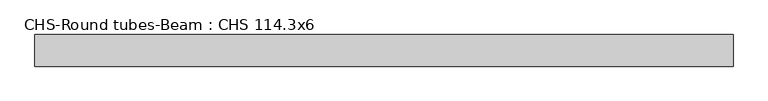
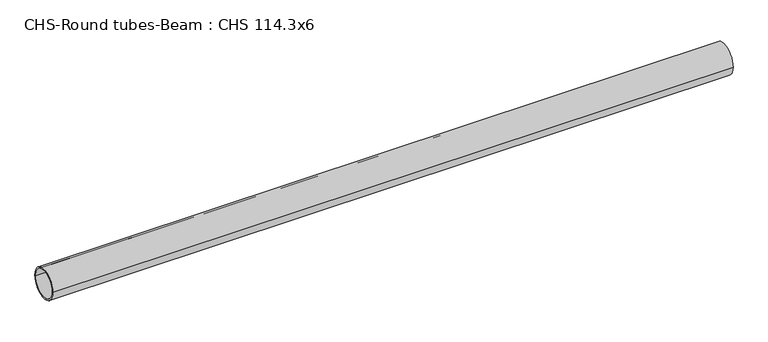
"""IFC4 building model written with IfcOpenShell, lengths in millimetres: beam geometry, CHS-Round tubes-Beam : CHS 114.3x6."""

import ifcopenshell
import ifcopenshell.guid

model = None  # the IFC model being written
_history = None  # IfcOwnerHistory: only IFC2X3 demands one
_inside = {}  # id of a spatial element -> (the spatial element, [elements in it])
_under = {}  # id of a project, library or spatial element -> (it, [spatial elements below it])
_declared = {}  # id of a project -> (the project, [libraries it declares])
_typed = {}  # id of a type object -> (the type object, [elements of that type])
_made_of = {}  # id of a material, layer set ... -> (it, [elements and type objects made of it])


def new_model(schema):
    """Start an empty IFC model of exactly this schema.

    Asked for "IFC4X3", IfcOpenShell would pick the latest addendum, in which some entities
    have other attributes; the version numbers below select the first issue.
    IFC2X3 requires an IfcOwnerHistory on every rooted entity: one is made here for all.
    """
    global model, _history
    if schema == "IFC4X3":
        model = ifcopenshell.file(schema_version=(4, 3, 0, 0))
    else:
        model = ifcopenshell.file(schema=schema)
    _inside.clear()
    _under.clear()
    _declared.clear()
    _typed.clear()
    _made_of.clear()
    _history = None
    if model.schema == "IFC2X3":
        org = make("IfcOrganization", Name="unknown")
        user = make(
            "IfcPersonAndOrganization",
            ThePerson=make("IfcPerson", FamilyName="unknown"),
            TheOrganization=org,
        )
        app = make(
            "IfcApplication",
            ApplicationDeveloper=org,
            Version="unknown",
            ApplicationFullName="unknown",
            ApplicationIdentifier="unknown",
        )
        _history = make(
            "IfcOwnerHistory",
            OwningUser=user,
            OwningApplication=app,
            ChangeAction="ADDED",
            CreationDate=0,
        )
    return model


def make(cls, **values):
    """One entity of the class cls with the attributes given. An attribute that is None is left unset."""
    return model.create_entity(
        cls, **{name: value for name, value in values.items() if value is not None}
    )


def rooted(cls, **values):
    """An entity with a GlobalId (a new one), such as an element, a storey or a relation."""
    return make(cls, GlobalId=ifcopenshell.guid.new(), OwnerHistory=_history, **values)


def si_unit(unit_type, name, prefix=None):
    """IfcSIUnit, for example si_unit("LENGTHUNIT", "METRE", prefix="MILLI")."""
    return make("IfcSIUnit", UnitType=unit_type, Prefix=prefix, Name=name)


def assignment(units):
    """IfcUnitAssignment: the units of a project."""
    return None if units is None else make("IfcUnitAssignment", Units=units)


def point(xyz):
    """IfcCartesianPoint."""
    return None if xyz is None else make("IfcCartesianPoint", Coordinates=xyz)


def direction(xyz):
    """IfcDirection."""
    return None if xyz is None else make("IfcDirection", DirectionRatios=xyz)


def frame(location, z_axis=None, x_axis=None):
    """IfcAxis2Placement3D, a coordinate frame: its origin and axes. An axis left out is left unset."""
    return make(
        "IfcAxis2Placement3D",
        Location=point(location),
        Axis=direction(z_axis),
        RefDirection=direction(x_axis),
    )


def frame_2d(location, x_axis=None):
    """IfcAxis2Placement2D, a coordinate frame in the plane: its origin and x axis."""
    return make(
        "IfcAxis2Placement2D", Location=point(location), RefDirection=direction(x_axis)
    )


def origin():
    """The frame at (0, 0, 0) with its axes left unset."""
    return frame((0.0, 0.0, 0.0))


def origin_2d():
    """The frame at (0, 0) in the plane with its x axis left unset."""
    return frame_2d((0.0, 0.0))


def place(relative_to, where):
    """IfcLocalPlacement: puts the frame where relative to a parent placement (None: the world)."""
    return make(
        "IfcLocalPlacement", PlacementRelTo=relative_to, RelativePlacement=where
    )


def context(
    kind, dimensions, precision=None, world=None, true_north=None, identifier=None
):
    """IfcGeometricRepresentationContext, for example the 3D "Model" context."""
    return make(
        "IfcGeometricRepresentationContext",
        ContextIdentifier=identifier,
        ContextType=kind,
        CoordinateSpaceDimension=dimensions,
        Precision=precision,
        WorldCoordinateSystem=world,
        TrueNorth=true_north,
    )


def project(units=None, contexts=None):
    """IfcProject with its units and contexts."""
    return rooted(
        "IfcProject",
        Name="project",
        RepresentationContexts=contexts,
        UnitsInContext=assignment(units),
    )


def spatial(cls, under=None, at=None, **own):
    """A site, building, storey or space (cls), placed at a placement, below another one or the project."""
    s = rooted(cls, ObjectPlacement=at, **own)
    if under is not None:
        _under.setdefault(under.id(), (under, []))[1].append(s)
    return s


def circle_curve(where, radius):
    """IfcCircle in the frame where."""
    return make("IfcCircle", Position=where, Radius=radius)


def trimmed(basis, trim1, trim2, sense, master):
    """IfcTrimmedCurve: the piece of a basis curve between two trims."""
    return make(
        "IfcTrimmedCurve",
        BasisCurve=basis,
        Trim1=trim1,
        Trim2=trim2,
        SenseAgreement=sense,
        MasterRepresentation=master,
    )


def segment(curve, same_sense, transition):
    """IfcCompositeCurveSegment."""
    return make(
        "IfcCompositeCurveSegment",
        Transition=transition,
        SameSense=same_sense,
        ParentCurve=curve,
    )


def composite_curve(segments, self_intersect=None):
    """IfcCompositeCurve: segments joined end to end."""
    return make("IfcCompositeCurve", Segments=segments, SelfIntersect=self_intersect)


def outline(outer, holes=None, kind="AREA"):
    """IfcArbitraryClosedProfileDef: a profile drawn as a closed curve; with holes, ...WithVoids."""
    if holes is None:
        return make("IfcArbitraryClosedProfileDef", ProfileType=kind, OuterCurve=outer)
    return make(
        "IfcArbitraryProfileDefWithVoids",
        ProfileType=kind,
        OuterCurve=outer,
        InnerCurves=holes,
    )


def extrude(swept, where, along, depth):
    """IfcExtrudedAreaSolid: the profile swept, set in the frame where, extruded along a direction by depth."""
    return make(
        "IfcExtrudedAreaSolid",
        SweptArea=swept,
        Position=where,
        ExtrudedDirection=direction(along),
        Depth=depth,
    )


def shape(context_of_items, identifier, shape_type, items):
    """IfcShapeRepresentation: the items that make up one representation, for example the "Body"."""
    return make(
        "IfcShapeRepresentation",
        ContextOfItems=context_of_items,
        RepresentationIdentifier=identifier,
        RepresentationType=shape_type,
        Items=items,
    )


def source(mapping_origin, context_of_items, identifier, shape_type, items):
    """IfcRepresentationMap: a shape defined once, which mapped items show again and again."""
    return make(
        "IfcRepresentationMap",
        MappingOrigin=mapping_origin,
        MappedRepresentation=shape(context_of_items, identifier, shape_type, items),
    )


def transform(
    local_origin,
    x_axis=None,
    y_axis=None,
    z_axis=None,
    scale=None,
    scale2=None,
    scale3=None,
    uniform=True,
):
    """IfcCartesianTransformationOperator3D, or its non-uniform kind. x_axis, y_axis, z_axis: its Axis1, 2, 3."""
    if uniform:
        return make(
            "IfcCartesianTransformationOperator3D",
            Axis1=direction(x_axis),
            Axis2=direction(y_axis),
            LocalOrigin=point(local_origin),
            Scale=scale,
            Axis3=direction(z_axis),
        )
    return make(
        "IfcCartesianTransformationOperator3DnonUniform",
        Axis1=direction(x_axis),
        Axis2=direction(y_axis),
        LocalOrigin=point(local_origin),
        Scale=scale,
        Axis3=direction(z_axis),
        Scale2=scale2,
        Scale3=scale3,
    )


def mapped(mapping_source, mapping_target):
    """IfcMappedItem: shows the shape of a source again, moved by a transform."""
    return make(
        "IfcMappedItem", MappingSource=mapping_source, MappingTarget=mapping_target
    )


def made_of(thing, what):
    """Note that an element or type object is made of a material, layer set ...; save() writes the relation."""
    if what is not None:
        _made_of.setdefault(what.id(), (what, []))[1].append(thing)
    return thing


def element(
    cls,
    number,
    at=None,
    inside=None,
    cuts=None,
    type_object=None,
    material=None,
    context=None,
    identifier="Body",
    shape_type=None,
    held_by="IfcProductDefinitionShape",
    body=None,
    shapes=None,
    **own,
):
    """One element of the class cls, such as IfcWall. Its Tag is "e" and its number.

    at: its placement. inside: the storey or other place that contains it. cuts: it is an
    opening in that element (IfcRelVoidsElement). A single representation is given by context,
    identifier, shape_type and body (its items); several are given by shapes. held_by: the class
    of the entity that holds the representations. save() writes the other relations.
    """
    e = rooted(cls, Tag="e%d" % number, ObjectPlacement=at, **own)
    if body is not None:
        shapes = [shape(context, identifier, shape_type, body)]
    if shapes is not None:
        e.Representation = make(held_by, Representations=shapes)
    if inside is not None:
        _inside.setdefault(inside.id(), (inside, []))[1].append(e)
    if cuts is not None:
        rooted(
            "IfcRelVoidsElement", RelatingBuildingElement=cuts, RelatedOpeningElement=e
        )
    if type_object is not None:
        _typed.setdefault(type_object.id(), (type_object, []))[1].append(e)
    return made_of(e, material)


def aggregate(whole, parts):
    """IfcRelAggregates: a whole, such as a stair, and the parts it consists of."""
    return rooted("IfcRelAggregates", RelatingObject=whole, RelatedObjects=parts)


def save(model, path):
    """Write the relations noted so far, then the file.

    IfcRelAggregates (storeys below a building ...), IfcRelContainedInSpatialStructure (elements
    in a storey), IfcRelDefinesByType, IfcRelAssociatesMaterial and IfcRelDeclares: one each for
    every whole, place, type object, material and project.
    """
    for whole, parts in _under.values():
        aggregate(whole, parts)
    for where, things in _inside.values():
        rooted(
            "IfcRelContainedInSpatialStructure",
            RelatedElements=things,
            RelatingStructure=where,
        )
    for kind, things in _typed.values():
        rooted("IfcRelDefinesByType", RelatedObjects=things, RelatingType=kind)
    for what, things in _made_of.values():
        rooted("IfcRelAssociatesMaterial", RelatedObjects=things, RelatingMaterial=what)
    for by, libraries in _declared.values():
        rooted("IfcRelDeclares", RelatingContext=by, RelatedDefinitions=libraries)
    model.write(path)


def chs_round_tubes_beam_chs_114_3x6_4d8c3e86(model_context):
    return source(origin(), model_context, "Body", "SweptSolid", [
        extrude(outline(composite_curve([segment(trimmed(circle_curve(origin_2d(), 57.15), [point((57.15, 0.0))], [point((-57.15, 0.0))], False, "CARTESIAN"), True, "CONTINUOUS"), segment(trimmed(circle_curve(origin_2d(), 57.15), [point((-57.15, 0.0))], [point((57.15, 0.0))], False, "CARTESIAN"), True, "CONTINUOUS")], self_intersect=False), holes=[composite_curve([segment(trimmed(circle_curve(origin_2d(), 51.15), [point((51.15, 0.0))], [point((-51.15, 0.0))], True, "CARTESIAN"), True, "CONTINUOUS"), segment(trimmed(circle_curve(origin_2d(), 51.15), [point((-51.15, 0.0))], [point((51.15, 0.0))], True, "CARTESIAN"), True, "CONTINUOUS")], self_intersect=False)]), frame((-1224.4088036, 0.0, 0.0), z_axis=(1.0, 0.0, 0.0), x_axis=(0.0, 1.0, 0.0)), (0.0, 0.0, 1.0), 2521.6182494),
    ])


if __name__ == "__main__":
    model = new_model("IFC4")
    model_context = context("Model", 3, world=origin())
    ifc_project = project(units=[si_unit("LENGTHUNIT", "METRE", prefix="MILLI")], contexts=[model_context])
    site = spatial("IfcSite", under=ifc_project)
    building = spatial("IfcBuilding", under=site)
    placement = place(None, origin())
    chs_round_tubes_beam_chs_114_3x6_shape = chs_round_tubes_beam_chs_114_3x6_4d8c3e86(model_context)
    element("IfcBeam", 1, ObjectType="CHS-Round tubes-Beam : CHS 114.3x6", at=placement, inside=building, context=model_context, shape_type="MappedRepresentation", body=[
        mapped(chs_round_tubes_beam_chs_114_3x6_shape, transform((0.0, 0.0, 0.0), x_axis=(1.0, 0.0, 0.0), y_axis=(0.0, 1.0, 0.0), z_axis=(0.0, 0.0, 1.0))),
    ])
    save(model, "model.ifc")
